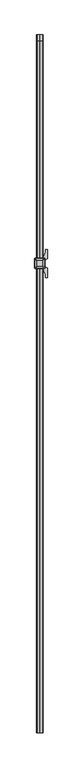
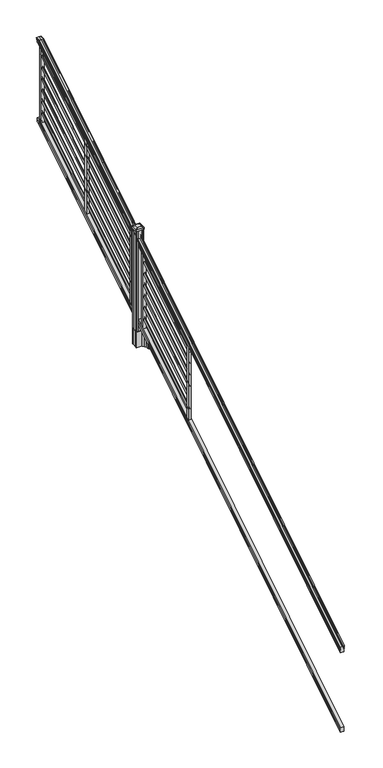
"""IFC4 building model written with IfcOpenShell, lengths in millimetres: railing geometry."""

from ifc_helpers import new_model, si_unit, point, frame, frame_2d, origin, origin_2d, place, context, project, spatial, polyline, circle_curve, ellipse_curve, trimmed, segment, composite_curve, outline, extrude, faceted_brep, source, transform, mapped, element, save
from ifc_brep_helpers import plane_surface, cylinder_surface, revolved_surface, extruded_surface, advanced_brep


def railing_94c6b505(model_context):
    return source(origin(), model_context, "Body", "SolidModel", [
        advanced_brep(
        [(5923.032944, -142728.8628453, 1117.9670492), (5925.6067728, -142728.8628453, 1117.9670492), (5925.6067728, -142728.8628453, 1105.3994336), (5924.5907728, -142728.8628453, 1104.201318), (5924.5907728, -142728.8628453, 1089.66), (5956.3407728, -142728.8628453, 1089.66), (5956.3407728, -142728.8628453, 1104.3874214), (5955.3247728, -142728.8628453, 1105.585537), (5955.3247728, -142728.8628453, 1117.9670492), (5957.8986015, -142728.8628453, 1117.9670492), (5957.8986015, -142728.8628453, 1120.1935658), (5959.0287878, -142728.8628453, 1122.0358543), (5959.0287878, -142728.8628453, 1130.5476358), (5958.3795314, -142728.8628453, 1133.4172588), (5960.8795314, -142728.8628453, 1138.5235509), (5962.2888739, -142728.8628453, 1140.5042021), (5962.6907729, -142728.8628453, 1141.8069579), (5962.6907728, -142728.8628453, 1143.3874846), (5961.1373255, -142728.8628453, 1145.2193836), (5940.4657728, -142728.8628453, 1145.2193836), (5919.79422, -142728.8628453, 1145.2193836), (5918.2407728, -142728.8628453, 1143.3874846), (5918.2407728, -142728.8628453, 1141.8069579), (5918.6426717, -142728.8628453, 1140.5042021), (5920.0520141, -142728.8628453, 1138.5235509), (5922.5520141, -142728.8628453, 1133.4172588), (5921.9027577, -142728.8628453, 1130.5476358), (5921.9027577, -142728.8628453, 1122.0358543), (5923.032944, -142728.8628453, 1120.1935658), (5923.032944, -137852.0628453, 4142.6143297), (5923.032944, -137852.0628453, 4144.502412), (5921.9027577, -137852.0628453, 4146.0646695), (5921.9027577, -137852.0628453, 4153.2826458), (5922.5520141, -137852.0628453, 4155.7160812), (5920.0520141, -137852.0628453, 4160.0462082), (5918.6426717, -137852.0628453, 4161.7257972), (5918.2407727, -137852.0628453, 4162.8305318), (5918.2407728, -137852.0628453, 4164.1708158), (5919.79422, -137852.0628453, 4165.724263), (5940.4657728, -137852.0628453, 4165.724263), (5961.1373255, -137852.0628453, 4165.724263), (5962.6907728, -137852.0628453, 4164.1708158), (5962.6907728, -137852.0628453, 4162.8305318), (5962.2888739, -137852.0628453, 4161.7257972), (5960.8795314, -137852.0628453, 4160.0462082), (5958.3795314, -137852.0628453, 4155.7160812), (5959.0287878, -137852.0628453, 4153.2826458), (5959.0287878, -137852.0628453, 4146.0646695), (5957.8986015, -137852.0628453, 4144.502412), (5957.8986015, -137852.0628453, 4142.6143297), (5955.3247728, -137852.0628453, 4142.6143297), (5955.3247728, -137852.0628453, 4132.1148283), (5956.3407728, -137852.0628453, 4131.0988283), (5956.3407728, -137852.0628453, 4118.61), (5924.5907728, -137852.0628453, 4118.61), (5924.5907728, -137852.0628453, 4130.941013), (5925.6067728, -137852.0628453, 4131.957013), (5925.6067728, -137852.0628453, 4142.6143297), (5923.032944, -137889.9686913, 4144.502412), (5923.032944, -137889.4271965, 4142.6143297), (5921.9027577, -137890.4167409, 4146.0646695), (5921.9027577, -137892.4868293, 4153.2826458), (5922.5520141, -137893.1847294, 4155.7160812), (5920.0520141, -137894.4265935, 4160.0462082), (5918.6426717, -137894.9082932, 4161.7257972), (5918.2407727, -137895.2251269, 4162.8305318), (5918.2407728, -137895.6095153, 4164.1708158), (5919.79422, -137896.0550381, 4165.724263), (5940.4657728, -137896.0550381, 4165.724263), (5961.1373255, -137896.0550381, 4165.724263), (5962.6907728, -137895.6095153, 4164.1708158), (5962.6907728, -137895.2251269, 4162.8305318), (5962.2888739, -137894.9082932, 4161.7257972), (5960.8795314, -137894.4265935, 4160.0462082), (5958.3795314, -137893.1847294, 4155.7160812), (5959.0287878, -137892.4868293, 4153.2826458), (5959.0287878, -137890.4167409, 4146.0646695), (5957.8986015, -137889.9686913, 4144.502412), (5957.8986015, -137889.4271965, 4142.6143297), (5955.3247728, -137889.4271965, 4142.6143297), (5955.3247728, -137886.4159791, 4132.1148283), (5956.3407728, -137886.1245941, 4131.0988283), (5956.3407728, -137882.5428453, 4118.61), (5924.5907728, -137882.5428453, 4118.61), (5924.5907728, -137886.0793333, 4130.941013), (5925.6067728, -137886.3707182, 4131.957013), (5925.6067728, -137889.4271965, 4142.6143297)],
        [
            (0, 1, ellipse_curve(frame((5924.3198584, -142728.8628453, 1117.9670492), z_axis=(0.0, -1.0, 0.0), x_axis=(0.0, 0.0, -1.0)), 1.5175907, 1.2869144)),
            (1, 2),
            (2, 3),
            (3, 4),
            (4, 5),
            (5, 6),
            (6, 7),
            (7, 8),
            (8, 9, ellipse_curve(frame((5956.6116871, -142728.8628453, 1117.9670492), z_axis=(0.0, -1.0, 0.0), x_axis=(0.0, 0.0, -1.0)), 1.5175907, 1.2869144)),
            (9, 10),
            (10, 11, ellipse_curve(frame((5951.5838482, -142728.8628453, 1126.9839405), z_axis=(0.0, -1.0, 0.0), x_axis=(0.0, 0.0, -1.0)), 10.0777926, 8.545951)),
            (11, 12, ellipse_curve(frame((5952.0209112, -142728.8628453, 1126.2917451), z_axis=(0.0, -1.0, 0.0), x_axis=(0.0, 0.0, -1.0)), 9.2955186, 7.882584)),
            (12, 13, ellipse_curve(frame((5962.5342353, -142728.8628453, 1133.1875077), z_axis=(0.0, 1.0, 0.0), x_axis=(0.0, 0.0, 1.0)), 4.9048088, 4.1592695)),
            (13, 14, ellipse_curve(frame((5963.8215419, -142728.8628453, 1133.1163208), z_axis=(0.0, 1.0, 0.0), x_axis=(0.0, 0.0, 1.0)), 6.4245301, 5.4479907)),
            (14, 15, ellipse_curve(frame((5962.5883834, -142728.8628453, 1138.5202333), z_axis=(0.0, 1.0, 0.0), x_axis=(0.0, 0.0, 1.0)), 2.0151625, 1.7088543)),
            (15, 16, ellipse_curve(frame((5960.9714833, -142728.8628453, 1141.8069579), z_axis=(0.0, -1.0, 0.0), x_axis=(0.0, 0.0, -1.0)), 2.0274681, 1.7192895)),
            (16, 17),
            (17, 18, ellipse_curve(frame((5961.1373255, -142728.8628453, 1143.3874846), z_axis=(0.0, -1.0, 0.0), x_axis=(0.0, 0.0, -1.0)), 1.831899, 1.5534472)),
            (18, 19),
            (19, 20),
            (20, 21, ellipse_curve(frame((5919.79422, -142728.8628453, 1143.3874846), z_axis=(0.0, -1.0, 0.0), x_axis=(0.0, 0.0, -1.0)), 1.831899, 1.5534472)),
            (21, 22),
            (22, 23, ellipse_curve(frame((5919.9600622, -142728.8628453, 1141.8069579), z_axis=(0.0, -1.0, 0.0), x_axis=(0.0, 0.0, -1.0)), 2.0274681, 1.7192895)),
            (23, 24, ellipse_curve(frame((5918.3431621, -142728.8628453, 1138.5202333), z_axis=(0.0, 1.0, 0.0), x_axis=(0.0, 0.0, 1.0)), 2.0151625, 1.7088543)),
            (24, 25, ellipse_curve(frame((5917.1100037, -142728.8628453, 1133.1163208), z_axis=(0.0, 1.0, 0.0), x_axis=(0.0, 0.0, 1.0)), 6.4245301, 5.4479907)),
            (25, 26, ellipse_curve(frame((5918.3973102, -142728.8628453, 1133.1875077), z_axis=(0.0, 1.0, 0.0), x_axis=(0.0, 0.0, 1.0)), 4.9048088, 4.1592695)),
            (26, 27, ellipse_curve(frame((5928.9106343, -142728.8628453, 1126.2917451), z_axis=(0.0, -1.0, 0.0), x_axis=(0.0, 0.0, -1.0)), 9.2955186, 7.882584)),
            (27, 28, ellipse_curve(frame((5929.3476973, -142728.8628453, 1126.9839405), z_axis=(0.0, -1.0, 0.0), x_axis=(0.0, 0.0, -1.0)), 10.0777926, 8.545951)),
            (28, 0),
            (29, 30),
            (30, 31, circle_curve(frame((5929.3476973, -137852.0628453, 4150.2606383), z_axis=(0.0, 1.0, 0.0), x_axis=(1.0, 0.0, 0.0)), 8.545951)),
            (31, 32, circle_curve(frame((5928.9106343, -137852.0628453, 4149.6736577), z_axis=(0.0, 1.0, 0.0), x_axis=(1.0, 0.0, 0.0)), 7.882584)),
            (32, 33, circle_curve(frame((5918.3973102, -137852.0628453, 4155.5212527), z_axis=(0.0, -1.0, 0.0), x_axis=(1.0, 0.0, 0.0)), 4.1592695)),
            (33, 34, circle_curve(frame((5917.1100037, -137852.0628453, 4155.4608864), z_axis=(0.0, -1.0, 0.0), x_axis=(1.0, 0.0, 0.0)), 5.4479907)),
            (34, 35, circle_curve(frame((5918.3431621, -137852.0628453, 4160.043395), z_axis=(0.0, -1.0, 0.0), x_axis=(1.0, 0.0, 0.0)), 1.7088543)),
            (35, 36, circle_curve(frame((5919.9600622, -137852.0628453, 4162.8305318), z_axis=(0.0, 1.0, 0.0), x_axis=(1.0, 0.0, 0.0)), 1.7192895)),
            (36, 37),
            (37, 38, circle_curve(frame((5919.79422, -137852.0628453, 4164.1708158), z_axis=(0.0, 1.0, 0.0), x_axis=(1.0, 0.0, 0.0)), 1.5534472)),
            (38, 39),
            (39, 40),
            (40, 41, circle_curve(frame((5961.1373255, -137852.0628453, 4164.1708158), z_axis=(0.0, 1.0, 0.0), x_axis=(-1.0, 0.0, 0.0)), 1.5534472)),
            (41, 42),
            (42, 43, circle_curve(frame((5960.9714833, -137852.0628453, 4162.8305318), z_axis=(0.0, 1.0, 0.0), x_axis=(-1.0, 0.0, 0.0)), 1.7192895)),
            (43, 44, circle_curve(frame((5962.5883834, -137852.0628453, 4160.043395), z_axis=(0.0, -1.0, 0.0), x_axis=(-1.0, 0.0, 0.0)), 1.7088543)),
            (44, 45, circle_curve(frame((5963.8215419, -137852.0628453, 4155.4608864), z_axis=(0.0, -1.0, 0.0), x_axis=(-1.0, 0.0, 0.0)), 5.4479907)),
            (45, 46, circle_curve(frame((5962.5342353, -137852.0628453, 4155.5212527), z_axis=(0.0, -1.0, 0.0), x_axis=(-1.0, 0.0, 0.0)), 4.1592695)),
            (46, 47, circle_curve(frame((5952.0209112, -137852.0628453, 4149.6736577), z_axis=(0.0, 1.0, 0.0), x_axis=(-1.0, 0.0, 0.0)), 7.882584)),
            (47, 48, circle_curve(frame((5951.5838482, -137852.0628453, 4150.2606383), z_axis=(0.0, 1.0, 0.0), x_axis=(-1.0, 0.0, 0.0)), 8.545951)),
            (48, 49),
            (49, 50, circle_curve(frame((5956.6116871, -137852.0628453, 4142.6143297), z_axis=(0.0, 1.0, 0.0), x_axis=(-1.0, 0.0, 0.0)), 1.2869144)),
            (50, 51),
            (51, 52),
            (52, 53),
            (53, 54),
            (54, 55),
            (55, 56),
            (56, 57),
            (57, 29, circle_curve(frame((5924.3198584, -137852.0628453, 4142.6143297), z_axis=(0.0, 1.0, 0.0), x_axis=(1.0, 0.0, 0.0)), 1.2869144)),
            (28, 58),
            (58, 59),
            (59, 0),
            (27, 60),
            (60, 58, ellipse_curve(frame((5929.3476973, -137891.6201289, 4150.2606383), z_axis=(0.0, -0.9612487461643644, -0.2756825130425167), x_axis=(0.0, 0.2756825130425169, -0.9612487461643643)), 8.8904678, 8.545951)),
            (26, 61),
            (61, 60, ellipse_curve(frame((5928.9106343, -137891.4517851, 4149.6736577), z_axis=(0.0, -0.9612487461643644, -0.2756825130425167), x_axis=(0.0, 0.2756825130425169, -0.9612487461643643)), 8.2003581, 7.882584)),
            (25, 62),
            (62, 61, ellipse_curve(frame((5918.3973102, -137893.1288533, 4155.5212527), z_axis=(0.0, 0.9612487461643644, 0.2756825130425167), x_axis=(0.0, -0.2756825130425169, 0.9612487461643643)), 4.326944, 4.1592695)),
            (24, 63),
            (63, 62, ellipse_curve(frame((5917.1100037, -137893.1115404, 4155.4608864), z_axis=(0.0, 0.9612487461643644, 0.2756825130425167), x_axis=(0.0, -0.2756825130425169, 0.9612487461643643)), 5.667618, 5.4479907)),
            (23, 64),
            (64, 63, ellipse_curve(frame((5918.3431621, -137894.4257866, 4160.043395), z_axis=(0.0, 0.9612487461643644, 0.2756825130425167), x_axis=(0.0, -0.2756825130425169, 0.9612487461643643)), 1.7777442, 1.7088543)),
            (22, 65),
            (65, 64, ellipse_curve(frame((5919.9600622, -137895.2251269, 4162.8305318), z_axis=(0.0, -0.9612487461643644, -0.2756825130425167), x_axis=(0.0, 0.2756825130425169, -0.9612487461643643)), 1.7886, 1.7192895)),
            (21, 66),
            (66, 65),
            (20, 67),
            (67, 66, ellipse_curve(frame((5919.79422, -137895.6095153, 4164.1708158), z_axis=(0.0, -0.9612487461643644, -0.2756825130425167), x_axis=(0.0, 0.2756825130425169, -0.9612487461643643)), 1.6160721, 1.5534472)),
            (19, 68),
            (68, 67),
            (18, 69),
            (69, 68),
            (17, 70),
            (70, 69, ellipse_curve(frame((5961.1373255, -137895.6095153, 4164.1708158), z_axis=(0.0, -0.9612487461643644, -0.2756825130425167), x_axis=(0.0, 0.2756825130425169, -0.9612487461643643)), 1.6160721, 1.5534472)),
            (16, 71),
            (71, 70),
            (15, 72),
            (72, 71, ellipse_curve(frame((5960.9714833, -137895.2251269, 4162.8305318), z_axis=(0.0, -0.9612487461643644, -0.2756825130425167), x_axis=(0.0, 0.2756825130425169, -0.9612487461643643)), 1.7886, 1.7192895)),
            (14, 73),
            (73, 72, ellipse_curve(frame((5962.5883834, -137894.4257866, 4160.043395), z_axis=(0.0, 0.9612487461643644, 0.2756825130425167), x_axis=(0.0, -0.2756825130425169, 0.9612487461643643)), 1.7777442, 1.7088543)),
            (13, 74),
            (74, 73, ellipse_curve(frame((5963.8215419, -137893.1115404, 4155.4608864), z_axis=(0.0, 0.9612487461643644, 0.2756825130425167), x_axis=(0.0, -0.2756825130425169, 0.9612487461643643)), 5.667618, 5.4479907)),
            (12, 75),
            (75, 74, ellipse_curve(frame((5962.5342353, -137893.1288533, 4155.5212527), z_axis=(0.0, 0.9612487461643644, 0.2756825130425167), x_axis=(0.0, -0.2756825130425169, 0.9612487461643643)), 4.326944, 4.1592695)),
            (11, 76),
            (76, 75, ellipse_curve(frame((5952.0209112, -137891.4517851, 4149.6736577), z_axis=(0.0, -0.9612487461643644, -0.2756825130425167), x_axis=(0.0, 0.2756825130425169, -0.9612487461643643)), 8.2003581, 7.882584)),
            (10, 77),
            (77, 76, ellipse_curve(frame((5951.5838482, -137891.6201289, 4150.2606383), z_axis=(0.0, -0.9612487461643644, -0.2756825130425167), x_axis=(0.0, 0.2756825130425169, -0.9612487461643643)), 8.8904678, 8.545951)),
            (9, 78),
            (78, 77),
            (8, 79),
            (79, 78, ellipse_curve(frame((5956.6116871, -137889.4271965, 4142.6143297), z_axis=(0.0, -0.9612487461643644, -0.2756825130425167), x_axis=(0.0, 0.2756825130425169, -0.9612487461643643)), 1.3387943, 1.2869144)),
            (7, 80),
            (80, 79),
            (6, 81),
            (81, 80),
            (5, 82),
            (82, 81),
            (4, 83),
            (83, 82),
            (3, 84),
            (84, 83),
            (2, 85),
            (85, 84),
            (1, 86),
            (86, 85),
            (59, 86, ellipse_curve(frame((5924.3198584, -137889.4271965, 4142.6143297), z_axis=(0.0, -0.9612487461643644, -0.2756825130425167), x_axis=(0.0, 0.2756825130425169, -0.9612487461643643)), 1.3387943, 1.2869144)),
            (58, 30),
            (29, 59),
            (60, 31),
            (61, 32),
            (62, 33),
            (63, 34),
            (64, 35),
            (65, 36),
            (66, 37),
            (67, 38),
            (68, 39),
            (69, 40),
            (70, 41),
            (71, 42),
            (72, 43),
            (73, 44),
            (74, 45),
            (75, 46),
            (76, 47),
            (77, 48),
            (78, 49),
            (79, 50),
            (80, 51),
            (81, 52),
            (82, 53),
            (83, 54),
            (84, 55),
            (85, 56),
            (86, 57),
        ],
        [
            plane_surface(frame((5940.4657728, -142728.8628453, 1089.66), z_axis=(0.0, -1.0, 0.0), x_axis=(0.0, 0.0, 1.0))),
            plane_surface(frame((5940.4657728, -137852.0628453, 4118.61), z_axis=(0.0, 1.0, 0.0), x_axis=(0.0, 0.0, 1.0))),
            plane_surface(frame((5923.032944, -142728.8628453, 1120.1935658), z_axis=(-1.0000000000000002, 0.0, 0.0), x_axis=(0.0, 0.8479983040051249, 0.5299989400031211))),
            cylinder_surface(frame((5929.3476973, -142745.63765, 1116.4996876), z_axis=(0.0, -0.8479983040051253, -0.5299989400031204), x_axis=(1.0, 0.0, 0.0)), 8.545951),
            cylinder_surface(frame((5928.9106343, -142745.3265509, 1116.001929), z_axis=(0.0, -0.8479983040051253, -0.5299989400031204), x_axis=(1.0, 0.0, 0.0)), 7.882584),
            revolved_surface(polyline([(5922.5565797, -137892.1173076721, 4156.153468716956), (5922.5565797, -142731.06725374944, 1131.8097524191019)]), (5918.3973102, -142748.4257701, 1120.9606797), (0.0, 0.8479983040051253, 0.5299989400031204)),
            revolved_surface(polyline([(5922.5579944, -137891.78657425637, 4156.288990189309), (5922.5579944, -142731.75027455282, 1131.3116775044994)]), (5917.1100037, -142748.393776, 1120.9094891), (0.0, 0.8479983040051253, 0.5299989400031204)),
            revolved_surface(polyline([(5920.0520164, -137894.01018858227, 4160.303143773098), (5920.0520164, -142729.76853632246, 1137.9541764359478)]), (5918.3431621, -142750.8225007, 1124.7954487), (0.0, 0.8479983040051253, 0.5299989400031204)),
            cylinder_surface(frame((5919.9600622, -142752.2996803, 1127.158936), z_axis=(0.0, -0.8479983040051253, -0.5299989400031204), x_axis=(1.0, 0.0, 0.0)), 1.7192895),
            plane_surface(frame((5918.2407728, -142728.8628453, 1143.3874846), z_axis=(-1.0, 0.0, 0.0), x_axis=(0.0, 0.8479983040051248, 0.5299989400031212))),
            cylinder_surface(frame((5919.79422, -142753.0100294, 1128.2954945), z_axis=(0.0, -0.8479983040051253, -0.5299989400031204), x_axis=(1.0, 0.0, 0.0)), 1.5534472),
            plane_surface(frame((5940.4657728, -142728.8628453, 1145.2193836), z_axis=(0.0, -0.5299989400031198, 0.8479983040051257), x_axis=(0.0, 0.8479983040051257, 0.5299989400031198))),
            plane_surface(frame((5961.1373255, -142728.8628453, 1145.2193836), z_axis=(0.0, -0.5299989400031198, 0.8479983040051257), x_axis=(0.0, 0.8479983040051257, 0.5299989400031198))),
            cylinder_surface(frame((5961.1373255, -142753.0100294, 1128.2954945), z_axis=(0.0, -0.8479983040051253, -0.5299989400031204), x_axis=(-1.0, 0.0, 0.0)), 1.5534472),
            plane_surface(frame((5962.6907728, -142728.8628453, 1141.8069579), z_axis=(1.0, 0.0, 0.0), x_axis=(0.0, 0.8479983040051257, 0.5299989400031198))),
            cylinder_surface(frame((5960.9714833, -142752.2996803, 1127.158936), z_axis=(0.0, -0.8479983040051253, -0.5299989400031204), x_axis=(-1.0, 0.0, 0.0)), 1.7192895),
            revolved_surface(polyline([(5960.8795291, -137894.01018858227, 4160.303143773098), (5960.8795291, -142729.76853632246, 1137.9541764359478)]), (5962.5883834, -142750.8225007, 1124.7954487), (0.0, 0.8479983040051253, 0.5299989400031204)),
            revolved_surface(polyline([(5958.373551199999, -137891.78657425637, 4156.288990189309), (5958.373551199999, -142731.75027455282, 1131.3116775044994)]), (5963.8215419, -142748.393776, 1120.9094891), (0.0, 0.8479983040051253, 0.5299989400031204)),
            revolved_surface(polyline([(5958.3749658, -137892.1173076721, 4156.153468716956), (5958.3749658, -142731.06725374944, 1131.8097524191019)]), (5962.5342353, -142748.4257701, 1120.9606797), (0.0, 0.8479983040051253, 0.5299989400031204)),
            cylinder_surface(frame((5952.0209112, -142745.3265509, 1116.001929), z_axis=(0.0, -0.8479983040051253, -0.5299989400031204), x_axis=(-1.0, 0.0, 0.0)), 7.882584),
            cylinder_surface(frame((5951.5838482, -142745.63765, 1116.4996876), z_axis=(0.0, -0.8479983040051253, -0.5299989400031204), x_axis=(-1.0, 0.0, 0.0)), 8.545951),
            plane_surface(frame((5957.8986015, -142728.8628453, 1117.9670492), z_axis=(1.0, 0.0, 0.0), x_axis=(0.0, 0.8479983040051253, 0.5299989400031203))),
            cylinder_surface(frame((5956.6116871, -142741.5851146, 1110.0156309), z_axis=(0.0, -0.8479983040051253, -0.5299989400031204), x_axis=(-1.0, 0.0, 0.0)), 1.2869144),
            plane_surface(frame((5955.3247728, -142728.8628453, 1105.585537), z_axis=(1.0000000000000002, 0.0, 0.0), x_axis=(0.0, 0.8479983040051248, 0.5299989400031213))),
            plane_surface(frame((5956.3407728, -142728.8628453, 1104.3874214), z_axis=(0.7071067811865426, -0.3747658444978925, 0.599625351196719), x_axis=(0.0, 0.8479983040051248, 0.5299989400031211))),
            plane_surface(frame((5956.3407728, -142728.8628453, 1089.66), z_axis=(1.0, 0.0, 0.0), x_axis=(0.0, 0.8479983040051252, 0.5299989400031204))),
            plane_surface(frame((5924.5907728, -142728.8628453, 1089.66), z_axis=(0.0, 0.5299989400031204, -0.8479983040051253), x_axis=(0.0, 0.8479983040051253, 0.5299989400031204))),
            plane_surface(frame((5924.5907728, -142728.8628453, 1104.201318), z_axis=(-1.0, 0.0, 0.0), x_axis=(0.0, 0.8479983040051249, 0.529998940003121))),
            plane_surface(frame((5925.6067728, -142728.8628453, 1105.3994336), z_axis=(-0.70710678118654, -0.37476584449789124, 0.5996253511967227), x_axis=(0.0, 0.8479983040051258, 0.5299989400031196))),
            plane_surface(frame((5925.6067728, -142728.8628453, 1117.9670492), z_axis=(-1.0, 0.0, 0.0), x_axis=(0.0, 0.8479983040051253, 0.5299989400031203))),
            cylinder_surface(frame((5924.3198584, -142741.5851146, 1110.0156309), z_axis=(0.0, -0.8479983040051253, -0.5299989400031204), x_axis=(1.0, 0.0, 0.0)), 1.2869144),
            plane_surface(frame((5923.032944, -137889.9686913, 4144.502412), z_axis=(-1.0, 0.0, 0.0), x_axis=(0.0, 1.0, 0.0))),
            cylinder_surface(frame((5929.3476973, -137882.5428453, 4150.2606383), z_axis=(0.0, -1.0, 0.0), x_axis=(1.0, 0.0, 0.0)), 8.545951),
            cylinder_surface(frame((5928.9106343, -137882.5428453, 4149.6736577), z_axis=(0.0, -1.0, 0.0), x_axis=(1.0, 0.0, 0.0)), 7.882584),
            revolved_surface(polyline([(5922.5565797, -137852.0628453, 4155.5212527), (5922.5565797, -137894.32171609573, 4155.5212527)]), (5918.3973102, -137882.5428453, 4155.5212527), (0.0, 1.0, 0.0)),
            revolved_surface(polyline([(5922.5579944, -137852.0628453, 4155.4608864), (5922.5579944, -137894.6740035732, 4155.4608864)]), (5917.1100037, -137882.5428453, 4155.4608864), (0.0, 1.0, 0.0)),
            revolved_surface(polyline([(5920.0520164, -137852.0628453, 4160.043395), (5920.0520164, -137894.9158795886, 4160.043395)]), (5918.3431621, -137882.5428453, 4160.043395), (0.0, 1.0, 0.0)),
            cylinder_surface(frame((5919.9600622, -137882.5428453, 4162.8305318), z_axis=(0.0, -1.0, 0.0), x_axis=(1.0, 0.0, 0.0)), 1.7192895),
            plane_surface(frame((5918.2407728, -137895.6095153, 4164.1708158), z_axis=(-1.0, 0.0, 0.0), x_axis=(0.0, 1.0, 0.0))),
            cylinder_surface(frame((5919.79422, -137882.5428453, 4164.1708158), z_axis=(0.0, -1.0, 0.0), x_axis=(1.0, 0.0, 0.0)), 1.5534472),
            plane_surface(frame((5940.4657728, -137896.0550381, 4165.724263), z_axis=(0.0, 0.0, 1.0), x_axis=(0.0, 1.0, 0.0))),
            plane_surface(frame((5961.1373255, -137896.0550381, 4165.724263), z_axis=(0.0, 0.0, 1.0), x_axis=(0.0, 1.0, 0.0))),
            cylinder_surface(frame((5961.1373255, -137882.5428453, 4164.1708158), z_axis=(0.0, -1.0, 0.0), x_axis=(-1.0, 0.0, 0.0)), 1.5534472),
            plane_surface(frame((5962.6907728, -137895.2251269, 4162.8305318), z_axis=(1.0, 0.0, 0.0), x_axis=(0.0, 1.0, 0.0))),
            cylinder_surface(frame((5960.9714833, -137882.5428453, 4162.8305318), z_axis=(0.0, -1.0, 0.0), x_axis=(-1.0, 0.0, 0.0)), 1.7192895),
            revolved_surface(polyline([(5960.8795291, -137852.0628453, 4160.043395), (5960.8795291, -137894.9158795886, 4160.043395)]), (5962.5883834, -137882.5428453, 4160.043395), (0.0, 1.0, 0.0)),
            revolved_surface(polyline([(5958.373551199999, -137852.0628453, 4155.4608864), (5958.373551199999, -137894.6740035732, 4155.4608864)]), (5963.8215419, -137882.5428453, 4155.4608864), (0.0, 1.0, 0.0)),
            revolved_surface(polyline([(5958.3749658, -137852.0628453, 4155.5212527), (5958.3749658, -137894.32171609573, 4155.5212527)]), (5962.5342353, -137882.5428453, 4155.5212527), (0.0, 1.0, 0.0)),
            cylinder_surface(frame((5952.0209112, -137882.5428453, 4149.6736577), z_axis=(0.0, -1.0, 0.0), x_axis=(-1.0, 0.0, 0.0)), 7.882584),
            cylinder_surface(frame((5951.5838482, -137882.5428453, 4150.2606383), z_axis=(0.0, -1.0, 0.0), x_axis=(-1.0, 0.0, 0.0)), 8.545951),
            plane_surface(frame((5957.8986015, -137889.4271965, 4142.6143297), z_axis=(1.0, 0.0, 0.0), x_axis=(0.0, 1.0, 0.0))),
            cylinder_surface(frame((5956.6116871, -137882.5428453, 4142.6143297), z_axis=(0.0, -1.0, 0.0), x_axis=(-1.0, 0.0, 0.0)), 1.2869144),
            plane_surface(frame((5955.3247728, -137886.4159791, 4132.1148283), z_axis=(1.0, 0.0, 0.0), x_axis=(0.0, 1.0, 0.0))),
            plane_surface(frame((5956.3407728, -137886.1245941, 4131.0988283), z_axis=(0.7071067811865435, 0.0, 0.7071067811865517), x_axis=(0.0, 1.0, 0.0))),
            plane_surface(frame((5956.3407728, -137882.5428453, 4118.61), z_axis=(1.0, 0.0, 0.0), x_axis=(0.0, 1.0, 0.0))),
            plane_surface(frame((5924.5907728, -137882.5428453, 4118.61), z_axis=(0.0, 0.0, -1.0), x_axis=(0.0, 1.0, 0.0))),
            plane_surface(frame((5924.5907728, -137886.0793333, 4130.941013), z_axis=(-1.0, 0.0, 0.0), x_axis=(0.0, 1.0, 0.0))),
            plane_surface(frame((5925.6067728, -137886.3707182, 4131.957013), z_axis=(-0.7071067811865391, 0.0, 0.707106781186556), x_axis=(0.0, 1.0, 0.0))),
            plane_surface(frame((5925.6067728, -137889.4271965, 4142.6143297), z_axis=(-1.0, 0.0, 0.0), x_axis=(0.0, 1.0, 0.0))),
            cylinder_surface(frame((5924.3198584, -137882.5428453, 4142.6143297), z_axis=(0.0, -1.0, 0.0), x_axis=(1.0, 0.0, 0.0)), 1.2869144),
        ],
        [
            (0, [[1, 2, 3, 4, 5, 6, 7, 8, 9, 10, 11, 12, 13, 14, 15, 16, 17, 18, 19, 20, 21, 22, 23, 24, 25, 26, 27, 28, 29]]),
            (1, [[30, 31, 32, 33, 34, 35, 36, 37, 38, 39, 40, 41, 42, 43, 44, 45, 46, 47, 48, 49, 50, 51, 52, 53, 54, 55, 56, 57, 58]]),
            (2, [[-29, 59, 60, 61]]),
            (3, [[-28, 62, 63, -59]]),
            (4, [[-27, 64, 65, -62]]),
            (5, [[-26, 66, 67, -64]]),
            (6, [[-25, 68, 69, -66]]),
            (7, [[-24, 70, 71, -68]]),
            (8, [[-23, 72, 73, -70]]),
            (9, [[-22, 74, 75, -72]]),
            (10, [[-21, 76, 77, -74]]),
            (11, [[-20, 78, 79, -76]]),
            (12, [[-19, 80, 81, -78]]),
            (13, [[-18, 82, 83, -80]]),
            (14, [[-17, 84, 85, -82]]),
            (15, [[-16, 86, 87, -84]]),
            (16, [[-15, 88, 89, -86]]),
            (17, [[-14, 90, 91, -88]]),
            (18, [[-13, 92, 93, -90]]),
            (19, [[-12, 94, 95, -92]]),
            (20, [[-11, 96, 97, -94]]),
            (21, [[-10, 98, 99, -96]]),
            (22, [[-9, 100, 101, -98]]),
            (23, [[-8, 102, 103, -100]]),
            (24, [[-7, 104, 105, -102]]),
            (25, [[-6, 106, 107, -104]]),
            (26, [[-5, 108, 109, -106]]),
            (27, [[-4, 110, 111, -108]]),
            (28, [[-3, 112, 113, -110]]),
            (29, [[-2, 114, 115, -112]]),
            (30, [[-1, -61, 116, -114]]),
            (31, [[-60, 117, -30, 118]]),
            (32, [[-63, 119, -31, -117]]),
            (33, [[-65, 120, -32, -119]]),
            (34, [[-67, 121, -33, -120]]),
            (35, [[-69, 122, -34, -121]]),
            (36, [[-71, 123, -35, -122]]),
            (37, [[-73, 124, -36, -123]]),
            (38, [[-75, 125, -37, -124]]),
            (39, [[-77, 126, -38, -125]]),
            (40, [[-79, 127, -39, -126]]),
            (41, [[-81, 128, -40, -127]]),
            (42, [[-83, 129, -41, -128]]),
            (43, [[-85, 130, -42, -129]]),
            (44, [[-87, 131, -43, -130]]),
            (45, [[-89, 132, -44, -131]]),
            (46, [[-91, 133, -45, -132]]),
            (47, [[-93, 134, -46, -133]]),
            (48, [[-95, 135, -47, -134]]),
            (49, [[-97, 136, -48, -135]]),
            (50, [[-99, 137, -49, -136]]),
            (51, [[-101, 138, -50, -137]]),
            (52, [[-103, 139, -51, -138]]),
            (53, [[-105, 140, -52, -139]]),
            (54, [[-107, 141, -53, -140]]),
            (55, [[-109, 142, -54, -141]]),
            (56, [[-111, 143, -55, -142]]),
            (57, [[-113, 144, -56, -143]]),
            (58, [[-115, 145, -57, -144]]),
            (59, [[-116, -118, -58, -145]]),
        ],
    ),
        faceted_brep([(5924.5532859, -142728.8628453, 325.4465079), (5924.5532859, -142728.8628453, 310.642), (5956.3032859, -142728.8628453, 310.642), (5956.3032859, -142728.8628453, 325.4268772), (5955.2872859, -142728.8628453, 327.0168303), (5955.2872859, -142728.8628453, 339.1768741), (5956.3032859, -142728.8628453, 340.7668272), (5956.3032859, -142728.8628453, 355.5664744), (5924.5532859, -142728.8628453, 355.5664744), (5924.5532859, -142728.8628453, 340.7864579), (5925.5692859, -142728.8628453, 339.1965048), (5925.5692859, -142728.8628453, 326.980026), (5924.5532859, -137852.0628453, 3352.1461976), (5925.5692859, -137852.0628453, 3353.4466183), (5925.5692859, -137852.0628453, 3363.8061717), (5924.5532859, -137852.0628453, 3365.1544492), (5924.5532859, -137852.0628453, 3377.6878781), (5956.3032859, -137852.0628453, 3377.6878781), (5956.3032859, -137852.0628453, 3365.1378024), (5955.2872859, -137852.0628453, 3363.7895248), (5955.2872859, -137852.0628453, 3353.4778283), (5956.3032859, -137852.0628453, 3352.1295508), (5956.3032859, -137852.0628453, 3339.592), (5924.5532859, -137852.0628453, 3339.592), (5925.5692859, -137886.5162975, 3353.4466183), (5924.5532859, -137886.1433418, 3352.1461976), (5925.5692859, -137889.4873783, 3363.8061717), (5924.5532859, -137889.8740593, 3365.1544492), (5924.5532859, -137893.4685994, 3377.6878781), (5956.3032859, -137893.4685994, 3377.6878781), (5956.3032859, -137889.869285, 3365.1378024), (5955.2872859, -137889.4826041, 3363.7895248), (5955.2872859, -137886.5252485, 3353.4778283), (5956.3032859, -137886.1385675, 3352.1295508), (5956.3032859, -137882.5428453, 3339.592), (5924.5532859, -137882.5428453, 3339.592)], [[[0, 1, 2, 3, 4, 5, 6, 7, 8, 9, 10, 11]], [[12, 13, 14, 15, 16, 17, 18, 19, 20, 21, 22, 23]], [[0, 11, 24, 25]], [[11, 10, 26, 24]], [[10, 9, 27, 26]], [[9, 8, 28, 27]], [[8, 7, 29, 28]], [[7, 6, 30, 29]], [[6, 5, 31, 30]], [[5, 4, 32, 31]], [[4, 3, 33, 32]], [[3, 2, 34, 33]], [[2, 1, 35, 34]], [[1, 0, 25, 35]], [[25, 24, 13, 12]], [[24, 26, 14, 13]], [[26, 27, 15, 14]], [[27, 28, 16, 15]], [[28, 29, 17, 16]], [[29, 30, 18, 17]], [[30, 31, 19, 18]], [[31, 32, 20, 19]], [[32, 33, 21, 20]], [[33, 34, 22, 21]], [[34, 35, 23, 22]], [[35, 25, 12, 23]]]),
        extrude(outline(polyline([(-137890.1628453, 3372.9253781), (-137915.5628453, 3357.0503781), (-137915.5628453, 4097.9725), (-137890.1628453, 4113.8475), (-137890.1628453, 3372.9253781)])), frame((5927.7657728, 0.0, 0.0), z_axis=(1.0, 0.0, 0.0), x_axis=(0.0, 1.0, 0.0)), (0.0, 0.0, 1.0), 25.4),
        extrude(outline(composite_curve([segment(trimmed(circle_curve(origin_2d(), 8.001), [point((0.0, -8.001))], [point((0.0, 8.001))], False, "CARTESIAN"), True, "CONTINUOUS"), segment(trimmed(circle_curve(origin_2d(), 8.001), [point((0.0, 8.001))], [point((0.0, -8.001))], False, "CARTESIAN"), True, "CONTINUOUS")], self_intersect=False)), frame((5940.7759347, -138634.3828453, 3008.8696159), z_axis=(0.0, 0.8479983040051254, 0.5299989400031201), x_axis=(-1.0, 0.0, 0.0)), (0.0, 0.0, 1.0), 868.6338127),
        extrude(outline(composite_curve([segment(trimmed(circle_curve(origin_2d(), 8.001), [point((0.0, -8.001))], [point((0.0, 8.001))], False, "CARTESIAN"), True, "CONTINUOUS"), segment(trimmed(circle_curve(origin_2d(), 8.001), [point((0.0, 8.001))], [point((0.0, -8.001))], False, "CARTESIAN"), True, "CONTINUOUS")], self_intersect=False)), frame((5940.7759347, -138634.3828453, 3120.0595274), z_axis=(0.0, 0.8479983040051253, 0.5299989400031203), x_axis=(-1.0, 0.0, 0.0)), (0.0, 0.0, 1.0), 868.6338127),
        extrude(outline(composite_curve([segment(trimmed(circle_curve(origin_2d(), 8.001), [point((0.0, -8.001))], [point((0.0, 8.001))], False, "CARTESIAN"), True, "CONTINUOUS"), segment(trimmed(circle_curve(origin_2d(), 8.001), [point((0.0, 8.001))], [point((0.0, -8.001))], False, "CARTESIAN"), True, "CONTINUOUS")], self_intersect=False)), frame((5940.7759347, -138634.3828453, 3231.249439), z_axis=(0.0, 0.8479983040051253, 0.5299989400031203), x_axis=(-1.0, 0.0, 0.0)), (0.0, 0.0, 1.0), 868.6338127),
        extrude(outline(composite_curve([segment(trimmed(circle_curve(origin_2d(), 8.001), [point((0.0, -8.001))], [point((0.0, 8.001))], False, "CARTESIAN"), True, "CONTINUOUS"), segment(trimmed(circle_curve(origin_2d(), 8.001), [point((0.0, 8.001))], [point((0.0, -8.001))], False, "CARTESIAN"), True, "CONTINUOUS")], self_intersect=False)), frame((5940.7759347, -138634.3828453, 3342.4393506), z_axis=(0.0, 0.8479983040051253, 0.5299989400031203), x_axis=(-1.0, 0.0, 0.0)), (0.0, 0.0, 1.0), 868.6338127),
        extrude(outline(composite_curve([segment(trimmed(circle_curve(origin_2d(), 8.001), [point((0.0, -8.001))], [point((0.0, 8.001))], False, "CARTESIAN"), True, "CONTINUOUS"), segment(trimmed(circle_curve(origin_2d(), 8.001), [point((0.0, 8.001))], [point((0.0, -8.001))], False, "CARTESIAN"), True, "CONTINUOUS")], self_intersect=False)), frame((5940.7759347, -138634.3828453, 3453.6292622), z_axis=(0.0, 0.8479983040051254, 0.5299989400031202), x_axis=(-1.0, 0.0, 0.0)), (0.0, 0.0, 1.0), 868.6338127),
        extrude(outline(composite_curve([segment(trimmed(circle_curve(origin_2d(), 8.001), [point((0.0, -8.001))], [point((0.0, 8.001))], False, "CARTESIAN"), True, "CONTINUOUS"), segment(trimmed(circle_curve(origin_2d(), 8.001), [point((0.0, 8.001))], [point((0.0, -8.001))], False, "CARTESIAN"), True, "CONTINUOUS")], self_intersect=False)), frame((5940.7759347, -138634.3828453, 3564.8191737), z_axis=(0.0, 0.8479983040051253, 0.5299989400031202), x_axis=(-1.0, 0.0, 0.0)), (0.0, 0.0, 1.0), 868.6338127),
        extrude(outline(polyline([(-138616.6028453, 2918.9003781), (-138642.0028453, 2903.0253781), (-138642.0028453, 3643.9475), (-138616.6028453, 3659.8225), (-138616.6028453, 2918.9003781)])), frame((5927.7657728, 0.0, 0.0), z_axis=(1.0, 0.0, 0.0), x_axis=(0.0, 1.0, 0.0)), (0.0, 0.0, 1.0), 25.4),
        extrude(outline(composite_curve([segment(trimmed(circle_curve(origin_2d(), 8.001), [point((0.0, -8.001))], [point((0.0, 8.001))], False, "CARTESIAN"), True, "CONTINUOUS"), segment(trimmed(circle_curve(origin_2d(), 8.001), [point((0.0, 8.001))], [point((0.0, -8.001))], False, "CARTESIAN"), True, "CONTINUOUS")], self_intersect=False)), frame((5940.7759347, -139360.8228453, 2554.8446159), z_axis=(0.0, 0.8479983040051254, 0.5299989400031201), x_axis=(-1.0, 0.0, 0.0)), (0.0, 0.0, 1.0), 868.6338127),
        extrude(outline(composite_curve([segment(trimmed(circle_curve(origin_2d(), 8.001), [point((0.0, -8.001))], [point((0.0, 8.001))], False, "CARTESIAN"), True, "CONTINUOUS"), segment(trimmed(circle_curve(origin_2d(), 8.001), [point((0.0, 8.001))], [point((0.0, -8.001))], False, "CARTESIAN"), True, "CONTINUOUS")], self_intersect=False)), frame((5940.7759347, -139360.8228453, 2666.0345274), z_axis=(0.0, 0.8479983040051253, 0.5299989400031203), x_axis=(-1.0, 0.0, 0.0)), (0.0, 0.0, 1.0), 868.6338127),
        extrude(outline(composite_curve([segment(trimmed(circle_curve(origin_2d(), 8.001), [point((0.0, -8.001))], [point((0.0, 8.001))], False, "CARTESIAN"), True, "CONTINUOUS"), segment(trimmed(circle_curve(origin_2d(), 8.001), [point((0.0, 8.001))], [point((0.0, -8.001))], False, "CARTESIAN"), True, "CONTINUOUS")], self_intersect=False)), frame((5940.7759347, -139360.8228453, 2777.224439), z_axis=(0.0, 0.8479983040051253, 0.5299989400031203), x_axis=(-1.0, 0.0, 0.0)), (0.0, 0.0, 1.0), 868.6338127),
        extrude(outline(composite_curve([segment(trimmed(circle_curve(origin_2d(), 8.001), [point((0.0, -8.001))], [point((0.0, 8.001))], False, "CARTESIAN"), True, "CONTINUOUS"), segment(trimmed(circle_curve(origin_2d(), 8.001), [point((0.0, 8.001))], [point((0.0, -8.001))], False, "CARTESIAN"), True, "CONTINUOUS")], self_intersect=False)), frame((5940.7759347, -139360.8228453, 2888.4143506), z_axis=(0.0, 0.8479983040051253, 0.5299989400031203), x_axis=(-1.0, 0.0, 0.0)), (0.0, 0.0, 1.0), 868.6338127),
        extrude(outline(composite_curve([segment(trimmed(circle_curve(origin_2d(), 8.001), [point((0.0, -8.001))], [point((0.0, 8.001))], False, "CARTESIAN"), True, "CONTINUOUS"), segment(trimmed(circle_curve(origin_2d(), 8.001), [point((0.0, 8.001))], [point((0.0, -8.001))], False, "CARTESIAN"), True, "CONTINUOUS")], self_intersect=False)), frame((5940.7759347, -139360.8228453, 2999.6042622), z_axis=(0.0, 0.8479983040051254, 0.5299989400031202), x_axis=(-1.0, 0.0, 0.0)), (0.0, 0.0, 1.0), 868.6338127),
        extrude(outline(composite_curve([segment(trimmed(circle_curve(origin_2d(), 8.001), [point((0.0, -8.001))], [point((0.0, 8.001))], False, "CARTESIAN"), True, "CONTINUOUS"), segment(trimmed(circle_curve(origin_2d(), 8.001), [point((0.0, 8.001))], [point((0.0, -8.001))], False, "CARTESIAN"), True, "CONTINUOUS")], self_intersect=False)), frame((5940.7759347, -139360.8228453, 3110.7941737), z_axis=(0.0, 0.8479983040051253, 0.5299989400031202), x_axis=(-1.0, 0.0, 0.0)), (0.0, 0.0, 1.0), 868.6338127),
        extrude(outline(polyline([(-139343.0428453, 2464.8753781), (-139368.4428453, 2449.0003781), (-139368.4428453, 3189.9225), (-139343.0428453, 3205.7975), (-139343.0428453, 2464.8753781)])), frame((5927.7657728, 0.0, 0.0), z_axis=(1.0, 0.0, 0.0), x_axis=(0.0, 1.0, 0.0)), (0.0, 0.0, 1.0), 25.4),
        extrude(outline(composite_curve([segment(polyline([(5907.4140228, -139466.3469401), (5907.4140228, -139432.0827504), (5905.8265228, -139431.3207504), (5905.8265228, -139417.7898224), (5909.0407498, -139414.5755953), (5960.7214206, -139414.5755953), (5960.7214206, -139413.6548453), (5956.3710895, -139413.6548453), (5956.3710895, -139412.2005906), (5951.9976348, -139412.2005906), (5951.9976348, -139410.9165668), (5953.664907, -139410.9165668)]), True, "CONTINUOUS"), segment(trimmed(circle_curve(frame_2d((5953.664907, -139394.1733569)), 16.7432099), [point((5953.664907, -139410.9165668))], [point((5970.2870293, -139396.1833636))], True, "CARTESIAN"), True, "CONTINUOUS"), segment(polyline([(5970.2870293, -139396.1833636), (5978.0024736, -139379.1480251)]), True, "CONTINUOUS"), segment(trimmed(circle_curve(frame_2d((5932.9017103, -139362.8759755)), 47.9464123), [point((5978.0024736, -139379.1480251))], [point((5980.8481226, -139362.8759755))], True, "CARTESIAN"), True, "CONTINUOUS"), segment(polyline([(5980.8481226, -139362.8759755), (5980.8481226, -139350.8672359), (5993.0517103, -139350.8672359), (5993.0517103, -139416.1630953), (5975.1050228, -139427.7395116), (5975.1050228, -139431.3207504), (5973.5175228, -139432.0827504), (5973.5175228, -139466.3469401), (5975.1050228, -139467.1089401), (5975.1050228, -139470.690179), (5993.0517103, -139482.2665953), (5993.0517103, -139547.5624547), (5980.8481226, -139547.5624547), (5980.8481226, -139535.5537151)]), True, "CONTINUOUS"), segment(trimmed(circle_curve(frame_2d((5932.9017103, -139535.5537151)), 47.9464123), [point((5980.8481226, -139535.5537151))], [point((5978.0024736, -139519.2816654))], True, "CARTESIAN"), True, "CONTINUOUS"), segment(polyline([(5978.0024736, -139519.2816654), (5970.2870293, -139502.246327)]), True, "CONTINUOUS"), segment(trimmed(circle_curve(frame_2d((5953.664907, -139504.2563337)), 16.7432099), [point((5970.2870293, -139502.246327))], [point((5953.664907, -139487.5131238))], True, "CARTESIAN"), True, "CONTINUOUS"), segment(polyline([(5953.664907, -139487.5131238), (5961.4556192, -139487.5131238), (5961.4556192, -139486.2291), (5956.3710895, -139486.2291), (5956.3710895, -139484.7748453), (5960.7214206, -139484.7748453), (5960.7214206, -139483.8540953), (5909.0407498, -139483.8540953), (5905.8265228, -139480.6398682), (5905.8265228, -139467.1089401), (5907.4140228, -139466.3469401)]), True, "CONTINUOUS")], self_intersect=False), holes=[polyline([(5972.2157728, -139419.0523453), (5970.6282728, -139417.4648453), (5943.2289902, -139417.4648453), (5910.3032728, -139417.4648453), (5908.7157728, -139419.0523453), (5908.7157728, -139479.3773453), (5910.3032728, -139480.9648453), (5943.2289902, -139480.9648453), (5970.6282728, -139480.9648453), (5972.2157728, -139479.3773453), (5972.2157728, -139419.0523453)])]), frame((0.0, 0.0, 2119.63), z_axis=(0.0, 0.0, 1.0), x_axis=(1.0, 0.0, 0.0)), (0.0, 0.0, 1.0), 152.4),
        advanced_brep(
        [(5956.3407728, -139468.2648453, 3284.979263), (5959.5157728, -139465.0898453, 3284.979263), (5959.5157728, -139433.3398453, 3284.979263), (5956.3407728, -139430.1648453, 3284.979263), (5924.5907728, -139430.1648453, 3284.979263), (5921.4157728, -139433.3398453, 3284.979263), (5921.4157728, -139465.0898453, 3284.979263), (5924.5907728, -139468.2648453, 3284.979263), (5972.8507728, -139484.7748453, 3273.676263), (5908.0807728, -139484.7748453, 3273.676263), (5904.9057728, -139481.5998453, 3273.676263), (5904.9057728, -139416.8298453, 3273.676263), (5908.0807728, -139413.6548453, 3273.676263), (5972.8507728, -139413.6548453, 3273.676263), (5976.0257728, -139416.8298453, 3273.676263), (5976.0257728, -139481.5998453, 3273.676263)],
        [
            (0, 1, circle_curve(frame((5956.3407728, -139465.0898453, 3284.979263), z_axis=(0.0, 0.0, 1.0), x_axis=(0.0, 1.0, 0.0)), 3.175)),
            (1, 2),
            (2, 3, circle_curve(frame((5956.3407728, -139433.3398453, 3284.979263), z_axis=(0.0, 0.0, 1.0), x_axis=(0.0, 1.0, 0.0)), 3.175)),
            (3, 4),
            (4, 5, circle_curve(frame((5924.5907728, -139433.3398453, 3284.979263), z_axis=(0.0, 0.0, 1.0), x_axis=(0.0, 1.0, 0.0)), 3.175)),
            (5, 6),
            (6, 7, circle_curve(frame((5924.5907728, -139465.0898453, 3284.979263), z_axis=(0.0, 0.0, 1.0), x_axis=(0.0, 1.0, 0.0)), 3.175)),
            (7, 0),
            (8, 9),
            (9, 10, circle_curve(frame((5908.0807728, -139481.5998453, 3273.676263), z_axis=(0.0, 0.0, -1.0), x_axis=(0.0, 1.0, 0.0)), 3.175)),
            (10, 11),
            (11, 12, circle_curve(frame((5908.0807728, -139416.8298453, 3273.676263), z_axis=(0.0, 0.0, -1.0), x_axis=(0.0, 1.0, 0.0)), 3.175)),
            (12, 13),
            (13, 14, circle_curve(frame((5972.8507728, -139416.8298453, 3273.676263), z_axis=(0.0, 0.0, -1.0), x_axis=(0.0, 1.0, 0.0)), 3.175)),
            (14, 15),
            (15, 8, circle_curve(frame((5972.8507728, -139481.5998453, 3273.676263), z_axis=(0.0, 0.0, -1.0), x_axis=(0.0, 1.0, 0.0)), 3.175)),
            (15, 1),
            (0, 8),
            (14, 2),
            (13, 3),
            (12, 4),
            (11, 5),
            (10, 6),
            (9, 7),
        ],
        [
            plane_surface(frame((5940.4657728, -139449.2148453, 3284.979263), z_axis=(0.0, 0.0, 1.0), x_axis=(1.0, 0.0, 0.0))),
            plane_surface(frame((5940.4657728, -139449.2148453, 3273.676263), z_axis=(0.0, 0.0, -1.0), x_axis=(1.0, 0.0, 0.0))),
            extruded_surface(trimmed(circle_curve(frame((5972.8507728, -139481.5998453, 3273.676263), z_axis=(0.0, 0.0, 1.0), x_axis=(0.0, 1.0, 0.0)), 3.175), [point((5972.8507728, -139484.7748453, 3273.676263))], [point((5976.0257728, -139481.5998453, 3273.676263))], True, "CARTESIAN"), (-16.51000000000022, 16.50999999998021, 11.303000000000338), 25.940663233606063),
            plane_surface(frame((5976.0257728, -139449.2148453, 3273.676263), z_axis=(0.5649114395471265, 0.0, 0.8251515409116033), x_axis=(0.0, 1.0, 0.0))),
            extruded_surface(trimmed(circle_curve(frame((5972.8507728, -139416.8298453, 3273.676263), z_axis=(0.0, 0.0, 1.0), x_axis=(0.0, 1.0, 0.0)), 3.175), [point((5976.0257728, -139416.8298453, 3273.676263))], [point((5972.8507728, -139413.6548453, 3273.676263))], True, "CARTESIAN"), (-16.51000000000022, -16.510000000009313, 11.303000000000338), 25.940663233624587),
            plane_surface(frame((5940.4657728, -139413.6548453, 3273.676263), z_axis=(0.0, 0.564911439547091, 0.8251515409116277), x_axis=(-1.0, 0.0, 0.0))),
            extruded_surface(trimmed(circle_curve(frame((5908.0807728, -139416.8298453, 3273.676263), z_axis=(0.0, 0.0, 1.0), x_axis=(0.0, 1.0, 0.0)), 3.175), [point((5908.0807728, -139413.6548453, 3273.676263))], [point((5904.9057728, -139416.8298453, 3273.676263))], True, "CARTESIAN"), (16.51000000000022, -16.510000000009313, 11.303000000000338), 25.940663233624587),
            plane_surface(frame((5904.9057728, -139449.2148453, 3273.676263), z_axis=(-0.5649114395470569, 0.0, 0.825151540911651), x_axis=(0.0, -1.0, 0.0))),
            extruded_surface(trimmed(circle_curve(frame((5908.0807728, -139481.5998453, 3273.676263), z_axis=(0.0, 0.0, 1.0), x_axis=(0.0, 1.0, 0.0)), 3.175), [point((5904.9057728, -139481.5998453, 3273.676263))], [point((5908.0807728, -139484.7748453, 3273.676263))], True, "CARTESIAN"), (16.51000000000022, 16.50999999998021, 11.303000000000338), 25.940663233606063),
            plane_surface(frame((5940.4657728, -139484.7748453, 3273.676263), z_axis=(0.0, -0.5649114395471048, 0.8251515409116182), x_axis=(1.0, 0.0, 0.0))),
        ],
        [
            (0, [[1, 2, 3, 4, 5, 6, 7, 8]]),
            (1, [[9, 10, 11, 12, 13, 14, 15, 16]]),
            (2, [[-16, 17, -1, 18]]),
            (3, [[-15, 19, -2, -17]]),
            (4, [[-14, 20, -3, -19]]),
            (5, [[-13, 21, -4, -20]]),
            (6, [[-12, 22, -5, -21]]),
            (7, [[-11, 23, -6, -22]]),
            (8, [[-10, 24, -7, -23]]),
            (9, [[-9, -18, -8, -24]]),
        ],
    ),
        extrude(outline(composite_curve([segment(polyline([(5972.8507728, -139484.7748453), (5908.0807728, -139484.7748453)]), True, "CONTINUOUS"), segment(trimmed(circle_curve(frame_2d((5908.0807728, -139481.5998453)), 3.175), [point((5908.0807728, -139484.7748453))], [point((5904.9057728, -139481.5998453))], False, "CARTESIAN"), True, "CONTINUOUS"), segment(polyline([(5904.9057728, -139481.5998453), (5904.9057728, -139416.8298453)]), True, "CONTINUOUS"), segment(trimmed(circle_curve(frame_2d((5908.0807728, -139416.8298453)), 3.175), [point((5904.9057728, -139416.8298453))], [point((5908.0807728, -139413.6548453))], False, "CARTESIAN"), True, "CONTINUOUS"), segment(polyline([(5908.0807728, -139413.6548453), (5972.8507728, -139413.6548453)]), True, "CONTINUOUS"), segment(trimmed(circle_curve(frame_2d((5972.8507728, -139416.8298453)), 3.175), [point((5972.8507728, -139413.6548453))], [point((5976.0257728, -139416.8298453))], False, "CARTESIAN"), True, "CONTINUOUS"), segment(polyline([(5976.0257728, -139416.8298453), (5976.0257728, -139481.5998453)]), True, "CONTINUOUS"), segment(trimmed(circle_curve(frame_2d((5972.8507728, -139481.5998453)), 3.175), [point((5976.0257728, -139481.5998453))], [point((5972.8507728, -139484.7748453))], False, "CARTESIAN"), True, "CONTINUOUS")], self_intersect=False)), frame((0.0, 0.0, 3256.404263), z_axis=(0.0, 0.0, 1.0), x_axis=(1.0, 0.0, 0.0)), (0.0, 0.0, 1.0), 17.272),
        extrude(outline(polyline([(5970.6282728, -139480.9648453), (5960.2777728, -139480.9648453), (5959.5157728, -139479.3773453), (5921.4157728, -139479.3773453), (5920.6537728, -139480.9648453), (5910.3032728, -139480.9648453), (5908.7157728, -139479.3773453), (5908.7157728, -139469.0268453), (5910.3032728, -139468.2648453), (5910.3032728, -139430.1648453), (5908.7157728, -139429.4028453), (5908.7157728, -139419.0523453), (5910.3032728, -139417.4648453), (5920.6537728, -139417.4648453), (5921.4157728, -139419.0523453), (5959.5157728, -139419.0523453), (5960.2777728, -139417.4648453), (5970.6282728, -139417.4648453), (5972.2157728, -139419.0523453), (5972.2157728, -139429.4028453), (5970.6282728, -139430.1648453), (5970.6282728, -139468.2648453), (5972.2157728, -139469.0268453), (5972.2157728, -139479.3773453), (5970.6282728, -139480.9648453)])), frame((0.0, 0.0, 2272.03), z_axis=(0.0, 0.0, 1.0), x_axis=(1.0, 0.0, 0.0)), (0.0, 0.0, 1.0), 984.374263),
        extrude(outline(polyline([(-139529.9868453, 2348.0353781), (-139555.3868453, 2332.1603781), (-139555.3868453, 3073.0825), (-139529.9868453, 3088.9575), (-139529.9868453, 2348.0353781)])), frame((5927.7657728, 0.0, 0.0), z_axis=(1.0, 0.0, 0.0), x_axis=(0.0, 1.0, 0.0)), (0.0, 0.0, 1.0), 25.4),
        extrude(outline(composite_curve([segment(trimmed(circle_curve(origin_2d(), 8.001), [point((0.0, -8.001))], [point((0.0, 8.001))], False, "CARTESIAN"), True, "CONTINUOUS"), segment(trimmed(circle_curve(origin_2d(), 8.001), [point((0.0, 8.001))], [point((0.0, -8.001))], False, "CARTESIAN"), True, "CONTINUOUS")], self_intersect=False)), frame((5940.7759347, -140274.2068453, 1983.9796159), z_axis=(0.0, 0.8479983040051254, 0.5299989400031201), x_axis=(-1.0, 0.0, 0.0)), (0.0, 0.0, 1.0), 868.6338127),
        extrude(outline(composite_curve([segment(trimmed(circle_curve(origin_2d(), 8.001), [point((0.0, -8.001))], [point((0.0, 8.001))], False, "CARTESIAN"), True, "CONTINUOUS"), segment(trimmed(circle_curve(origin_2d(), 8.001), [point((0.0, 8.001))], [point((0.0, -8.001))], False, "CARTESIAN"), True, "CONTINUOUS")], self_intersect=False)), frame((5940.7759347, -140274.2068453, 2095.1695274), z_axis=(0.0, 0.8479983040051253, 0.5299989400031203), x_axis=(-1.0, 0.0, 0.0)), (0.0, 0.0, 1.0), 868.6338127),
        extrude(outline(composite_curve([segment(trimmed(circle_curve(origin_2d(), 8.001), [point((0.0, -8.001))], [point((0.0, 8.001))], False, "CARTESIAN"), True, "CONTINUOUS"), segment(trimmed(circle_curve(origin_2d(), 8.001), [point((0.0, 8.001))], [point((0.0, -8.001))], False, "CARTESIAN"), True, "CONTINUOUS")], self_intersect=False)), frame((5940.7759347, -140274.2068453, 2206.359439), z_axis=(0.0, 0.8479983040051253, 0.5299989400031203), x_axis=(-1.0, 0.0, 0.0)), (0.0, 0.0, 1.0), 868.6338127),
        extrude(outline(composite_curve([segment(trimmed(circle_curve(origin_2d(), 8.001), [point((0.0, -8.001))], [point((0.0, 8.001))], False, "CARTESIAN"), True, "CONTINUOUS"), segment(trimmed(circle_curve(origin_2d(), 8.001), [point((0.0, 8.001))], [point((0.0, -8.001))], False, "CARTESIAN"), True, "CONTINUOUS")], self_intersect=False)), frame((5940.7759347, -140274.2068453, 2317.5493506), z_axis=(0.0, 0.8479983040051253, 0.5299989400031203), x_axis=(-1.0, 0.0, 0.0)), (0.0, 0.0, 1.0), 868.6338127),
        extrude(outline(composite_curve([segment(trimmed(circle_curve(origin_2d(), 8.001), [point((0.0, -8.001))], [point((0.0, 8.001))], False, "CARTESIAN"), True, "CONTINUOUS"), segment(trimmed(circle_curve(origin_2d(), 8.001), [point((0.0, 8.001))], [point((0.0, -8.001))], False, "CARTESIAN"), True, "CONTINUOUS")], self_intersect=False)), frame((5940.7759347, -140274.2068453, 2428.7392622), z_axis=(0.0, 0.8479983040051254, 0.5299989400031202), x_axis=(-1.0, 0.0, 0.0)), (0.0, 0.0, 1.0), 868.6338127),
        extrude(outline(composite_curve([segment(trimmed(circle_curve(origin_2d(), 8.001), [point((0.0, -8.001))], [point((0.0, 8.001))], False, "CARTESIAN"), True, "CONTINUOUS"), segment(trimmed(circle_curve(origin_2d(), 8.001), [point((0.0, 8.001))], [point((0.0, -8.001))], False, "CARTESIAN"), True, "CONTINUOUS")], self_intersect=False)), frame((5940.7759347, -140274.2068453, 2539.9291737), z_axis=(0.0, 0.8479983040051253, 0.5299989400031202), x_axis=(-1.0, 0.0, 0.0)), (0.0, 0.0, 1.0), 868.6338127),
        extrude(outline(polyline([(-140256.4268453, 1894.0103781), (-140281.8268453, 1878.1353781), (-140281.8268453, 2619.0575), (-140256.4268453, 2634.9325), (-140256.4268453, 1894.0103781)])), frame((5927.7657728, 0.0, 0.0), z_axis=(1.0, 0.0, 0.0), x_axis=(0.0, 1.0, 0.0)), (0.0, 0.0, 1.0), 25.4),
    ])


if __name__ == "__main__":
    model = new_model("IFC4")
    model_context = context("Model", 3, world=origin())
    ifc_project = project(units=[si_unit("LENGTHUNIT", "METRE", prefix="MILLI")], contexts=[model_context])
    site = spatial("IfcSite", under=ifc_project)
    building = spatial("IfcBuilding", under=site)
    placement = place(None, origin())
    railing_shape = railing_94c6b505(model_context)
    element("IfcRailing", 1, at=placement, inside=building, context=model_context, shape_type="MappedRepresentation", body=[
        mapped(railing_shape, transform((0.0, 0.0, 0.0), x_axis=(1.0, 0.0, 0.0), y_axis=(0.0, 1.0, 0.0), z_axis=(0.0, 0.0, 1.0))),
    ])
    save(model, "model.ifc")
